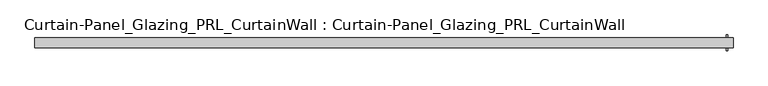
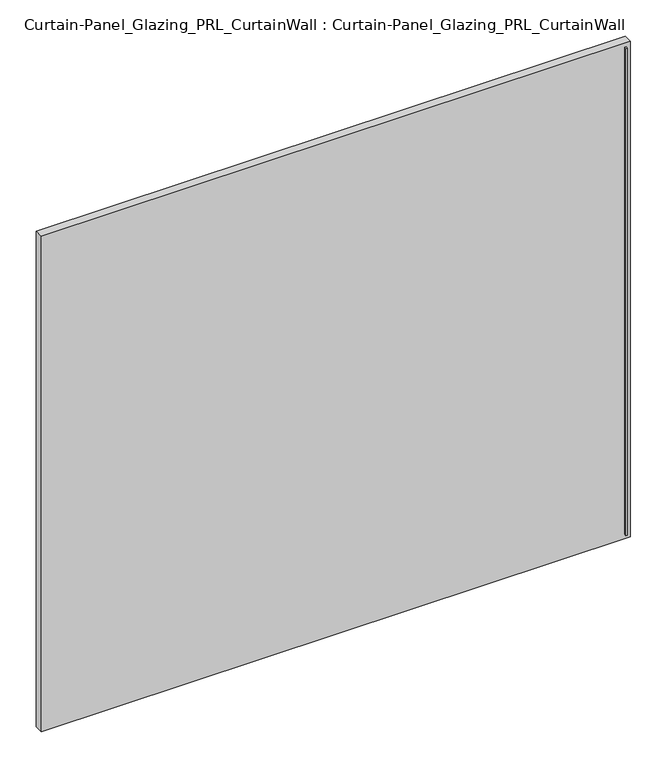
"""IFC4 building model written with IfcOpenShell, lengths in millimetres: plate geometry, Curtain-Panel_Glazing_PRL_CurtainWall : Curtain-Panel_Glazing_PRL_CurtainWall."""

import ifcopenshell
import ifcopenshell.guid

model = None  # the IFC model being written
_history = None  # IfcOwnerHistory: only IFC2X3 demands one
_inside = {}  # id of a spatial element -> (the spatial element, [elements in it])
_under = {}  # id of a project, library or spatial element -> (it, [spatial elements below it])
_declared = {}  # id of a project -> (the project, [libraries it declares])
_typed = {}  # id of a type object -> (the type object, [elements of that type])
_made_of = {}  # id of a material, layer set ... -> (it, [elements and type objects made of it])


def new_model(schema):
    """Start an empty IFC model of exactly this schema.

    Asked for "IFC4X3", IfcOpenShell would pick the latest addendum, in which some entities
    have other attributes; the version numbers below select the first issue.
    IFC2X3 requires an IfcOwnerHistory on every rooted entity: one is made here for all.
    """
    global model, _history
    if schema == "IFC4X3":
        model = ifcopenshell.file(schema_version=(4, 3, 0, 0))
    else:
        model = ifcopenshell.file(schema=schema)
    _inside.clear()
    _under.clear()
    _declared.clear()
    _typed.clear()
    _made_of.clear()
    _history = None
    if model.schema == "IFC2X3":
        org = make("IfcOrganization", Name="unknown")
        user = make(
            "IfcPersonAndOrganization",
            ThePerson=make("IfcPerson", FamilyName="unknown"),
            TheOrganization=org,
        )
        app = make(
            "IfcApplication",
            ApplicationDeveloper=org,
            Version="unknown",
            ApplicationFullName="unknown",
            ApplicationIdentifier="unknown",
        )
        _history = make(
            "IfcOwnerHistory",
            OwningUser=user,
            OwningApplication=app,
            ChangeAction="ADDED",
            CreationDate=0,
        )
    return model


def make(cls, **values):
    """One entity of the class cls with the attributes given. An attribute that is None is left unset."""
    return model.create_entity(
        cls, **{name: value for name, value in values.items() if value is not None}
    )


def rooted(cls, **values):
    """An entity with a GlobalId (a new one), such as an element, a storey or a relation."""
    return make(cls, GlobalId=ifcopenshell.guid.new(), OwnerHistory=_history, **values)


def si_unit(unit_type, name, prefix=None):
    """IfcSIUnit, for example si_unit("LENGTHUNIT", "METRE", prefix="MILLI")."""
    return make("IfcSIUnit", UnitType=unit_type, Prefix=prefix, Name=name)


def assignment(units):
    """IfcUnitAssignment: the units of a project."""
    return None if units is None else make("IfcUnitAssignment", Units=units)


def point(xyz):
    """IfcCartesianPoint."""
    return None if xyz is None else make("IfcCartesianPoint", Coordinates=xyz)


def direction(xyz):
    """IfcDirection."""
    return None if xyz is None else make("IfcDirection", DirectionRatios=xyz)


def frame(location, z_axis=None, x_axis=None):
    """IfcAxis2Placement3D, a coordinate frame: its origin and axes. An axis left out is left unset."""
    return make(
        "IfcAxis2Placement3D",
        Location=point(location),
        Axis=direction(z_axis),
        RefDirection=direction(x_axis),
    )


def origin():
    """The frame at (0, 0, 0) with its axes left unset."""
    return frame((0.0, 0.0, 0.0))


def origin_with_axes():
    """The frame at (0, 0, 0) with the z axis (0, 0, 1) and the x axis (1, 0, 0) written out."""
    return frame((0.0, 0.0, 0.0), z_axis=(0.0, 0.0, 1.0), x_axis=(1.0, 0.0, 0.0))


def place(relative_to, where):
    """IfcLocalPlacement: puts the frame where relative to a parent placement (None: the world)."""
    return make(
        "IfcLocalPlacement", PlacementRelTo=relative_to, RelativePlacement=where
    )


def context(
    kind, dimensions, precision=None, world=None, true_north=None, identifier=None
):
    """IfcGeometricRepresentationContext, for example the 3D "Model" context."""
    return make(
        "IfcGeometricRepresentationContext",
        ContextIdentifier=identifier,
        ContextType=kind,
        CoordinateSpaceDimension=dimensions,
        Precision=precision,
        WorldCoordinateSystem=world,
        TrueNorth=true_north,
    )


def project(units=None, contexts=None):
    """IfcProject with its units and contexts."""
    return rooted(
        "IfcProject",
        Name="project",
        RepresentationContexts=contexts,
        UnitsInContext=assignment(units),
    )


def spatial(cls, under=None, at=None, **own):
    """A site, building, storey or space (cls), placed at a placement, below another one or the project."""
    s = rooted(cls, ObjectPlacement=at, **own)
    if under is not None:
        _under.setdefault(under.id(), (under, []))[1].append(s)
    return s


def polyline(points):
    """IfcPolyline through the points."""
    return make("IfcPolyline", Points=[point(p) for p in points])


def outline(outer, holes=None, kind="AREA"):
    """IfcArbitraryClosedProfileDef: a profile drawn as a closed curve; with holes, ...WithVoids."""
    if holes is None:
        return make("IfcArbitraryClosedProfileDef", ProfileType=kind, OuterCurve=outer)
    return make(
        "IfcArbitraryProfileDefWithVoids",
        ProfileType=kind,
        OuterCurve=outer,
        InnerCurves=holes,
    )


def extrude(swept, where, along, depth):
    """IfcExtrudedAreaSolid: the profile swept, set in the frame where, extruded along a direction by depth."""
    return make(
        "IfcExtrudedAreaSolid",
        SweptArea=swept,
        Position=where,
        ExtrudedDirection=direction(along),
        Depth=depth,
    )


def shape(context_of_items, identifier, shape_type, items):
    """IfcShapeRepresentation: the items that make up one representation, for example the "Body"."""
    return make(
        "IfcShapeRepresentation",
        ContextOfItems=context_of_items,
        RepresentationIdentifier=identifier,
        RepresentationType=shape_type,
        Items=items,
    )


def source(mapping_origin, context_of_items, identifier, shape_type, items):
    """IfcRepresentationMap: a shape defined once, which mapped items show again and again."""
    return make(
        "IfcRepresentationMap",
        MappingOrigin=mapping_origin,
        MappedRepresentation=shape(context_of_items, identifier, shape_type, items),
    )


def transform(
    local_origin,
    x_axis=None,
    y_axis=None,
    z_axis=None,
    scale=None,
    scale2=None,
    scale3=None,
    uniform=True,
):
    """IfcCartesianTransformationOperator3D, or its non-uniform kind. x_axis, y_axis, z_axis: its Axis1, 2, 3."""
    if uniform:
        return make(
            "IfcCartesianTransformationOperator3D",
            Axis1=direction(x_axis),
            Axis2=direction(y_axis),
            LocalOrigin=point(local_origin),
            Scale=scale,
            Axis3=direction(z_axis),
        )
    return make(
        "IfcCartesianTransformationOperator3DnonUniform",
        Axis1=direction(x_axis),
        Axis2=direction(y_axis),
        LocalOrigin=point(local_origin),
        Scale=scale,
        Axis3=direction(z_axis),
        Scale2=scale2,
        Scale3=scale3,
    )


def mapped(mapping_source, mapping_target):
    """IfcMappedItem: shows the shape of a source again, moved by a transform."""
    return make(
        "IfcMappedItem", MappingSource=mapping_source, MappingTarget=mapping_target
    )


def made_of(thing, what):
    """Note that an element or type object is made of a material, layer set ...; save() writes the relation."""
    if what is not None:
        _made_of.setdefault(what.id(), (what, []))[1].append(thing)
    return thing


def element(
    cls,
    number,
    at=None,
    inside=None,
    cuts=None,
    type_object=None,
    material=None,
    context=None,
    identifier="Body",
    shape_type=None,
    held_by="IfcProductDefinitionShape",
    body=None,
    shapes=None,
    **own,
):
    """One element of the class cls, such as IfcWall. Its Tag is "e" and its number.

    at: its placement. inside: the storey or other place that contains it. cuts: it is an
    opening in that element (IfcRelVoidsElement). A single representation is given by context,
    identifier, shape_type and body (its items); several are given by shapes. held_by: the class
    of the entity that holds the representations. save() writes the other relations.
    """
    e = rooted(cls, Tag="e%d" % number, ObjectPlacement=at, **own)
    if body is not None:
        shapes = [shape(context, identifier, shape_type, body)]
    if shapes is not None:
        e.Representation = make(held_by, Representations=shapes)
    if inside is not None:
        _inside.setdefault(inside.id(), (inside, []))[1].append(e)
    if cuts is not None:
        rooted(
            "IfcRelVoidsElement", RelatingBuildingElement=cuts, RelatedOpeningElement=e
        )
    if type_object is not None:
        _typed.setdefault(type_object.id(), (type_object, []))[1].append(e)
    return made_of(e, material)


def aggregate(whole, parts):
    """IfcRelAggregates: a whole, such as a stair, and the parts it consists of."""
    return rooted("IfcRelAggregates", RelatingObject=whole, RelatedObjects=parts)


def save(model, path):
    """Write the relations noted so far, then the file.

    IfcRelAggregates (storeys below a building ...), IfcRelContainedInSpatialStructure (elements
    in a storey), IfcRelDefinesByType, IfcRelAssociatesMaterial and IfcRelDeclares: one each for
    every whole, place, type object, material and project.
    """
    for whole, parts in _under.values():
        aggregate(whole, parts)
    for where, things in _inside.values():
        rooted(
            "IfcRelContainedInSpatialStructure",
            RelatedElements=things,
            RelatingStructure=where,
        )
    for kind, things in _typed.values():
        rooted("IfcRelDefinesByType", RelatedObjects=things, RelatingType=kind)
    for what, things in _made_of.values():
        rooted("IfcRelAssociatesMaterial", RelatedObjects=things, RelatingMaterial=what)
    for by, libraries in _declared.values():
        rooted("IfcRelDeclares", RelatingContext=by, RelatedDefinitions=libraries)
    model.write(path)


def curtain_panel_glazing_prl_curtainwall_curtain_panel_glazing_b62db86b(model_context):
    return source(origin(), model_context, "Body", "SweptSolid", [
        extrude(outline(polyline([(838.99375, -19.05), (835.025, -19.05), (835.025, -12.7), (838.99375, -12.7), (838.99375, -19.05)])), frame((0.0, 0.0, 12.7), z_axis=(0.0, 0.0, 1.0), x_axis=(1.0, 0.0, 0.0)), (0.0, 0.0, 1.0), 1489.075),
        extrude(outline(polyline([(838.99375, 19.05), (838.99375, 12.7), (835.025, 12.7), (835.025, 19.05), (838.99375, 19.05)])), frame((0.0, 0.0, 12.7), z_axis=(0.0, 0.0, 1.0), x_axis=(1.0, 0.0, 0.0)), (0.0, 0.0, 1.0), 1489.075),
        extrude(outline(polyline([(851.69375, 12.7), (851.69375, -12.7), (-851.69375, -12.7), (-851.69375, 12.7), (851.69375, 12.7)])), origin_with_axes(), (0.0, 0.0, 1.0), 1514.475),
    ])


if __name__ == "__main__":
    model = new_model("IFC4")
    model_context = context("Model", 3, world=origin())
    ifc_project = project(units=[si_unit("LENGTHUNIT", "METRE", prefix="MILLI")], contexts=[model_context])
    site = spatial("IfcSite", under=ifc_project)
    building = spatial("IfcBuilding", under=site)
    placement = place(None, origin())
    curtain_panel_glazing_prl_curtainwall_curtain_panel_glazing_shape = curtain_panel_glazing_prl_curtainwall_curtain_panel_glazing_b62db86b(model_context)
    element("IfcPlate", 1, ObjectType="Curtain-Panel_Glazing_PRL_CurtainWall : Curtain-Panel_Glazing_PRL_CurtainWall", at=placement, inside=building, context=model_context, shape_type="MappedRepresentation", body=[
        mapped(curtain_panel_glazing_prl_curtainwall_curtain_panel_glazing_shape, transform((0.0, 0.0, 0.0), x_axis=(1.0, 0.0, 0.0), y_axis=(0.0, 1.0, 0.0), z_axis=(0.0, 0.0, 1.0))),
    ])
    save(model, "model.ifc")
